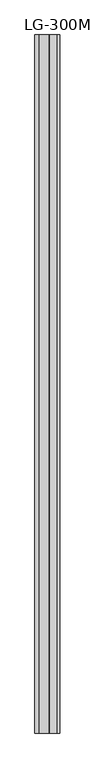
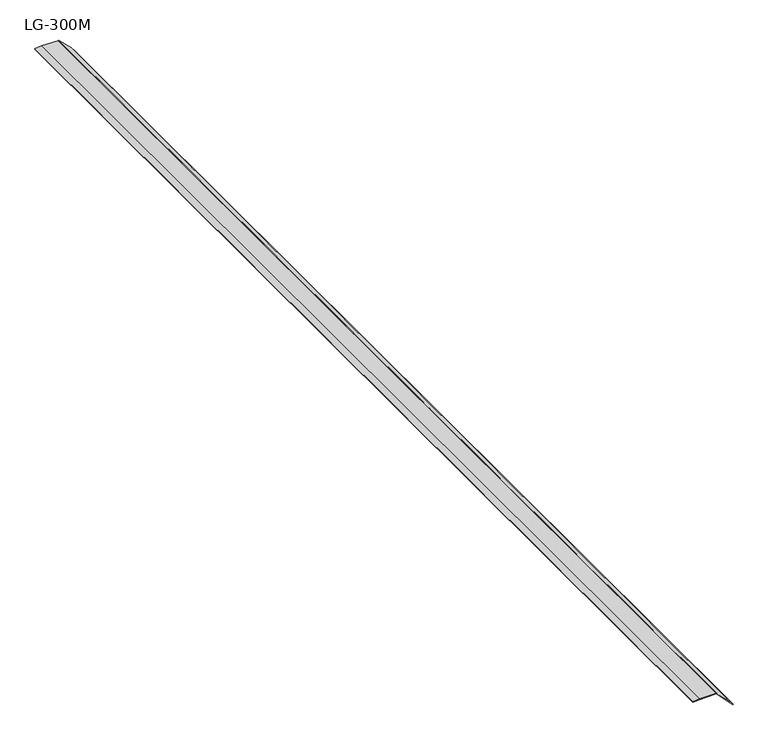
"""IFC4 building model written with IfcOpenShell, lengths in millimetres: proxy geometry, LG-300M."""

from ifc_helpers import new_model, si_unit, point, frame, frame_2d, origin, place, context, project, spatial, polyline, circle_curve, trimmed, segment, composite_curve, outline, extrude, source, transform, mapped, element, save


def lg_300m_7580ce3b(model_context):
    return source(origin(), model_context, "Body", "SweptSolid", [
        extrude(outline(composite_curve([segment(polyline([(0.0, -62.2237914), (0.8623031, -44.6673004), (1.2847753, 0.6559008), (-31.0774036, 32.4570885), (-44.1948241, 44.1739972), (-43.4255839, 44.9432374), (-29.4184821, 33.5475891), (1.861667, 2.26744)]), True, "CONTINUOUS"), segment(trimmed(circle_curve(frame_2d((-0.4738145, -0.0680415)), 3.3028696), [point((1.861667, 2.26744))], [point((2.8283542, 0.0))], False, "CARTESIAN"), True, "CONTINUOUS"), segment(polyline([(2.8283542, 0.0), (2.8283542, -43.736013), (0.9657795, -62.2237914), (0.0, -62.2237914)]), True, "CONTINUOUS")], self_intersect=False)), frame((0.0, -1141.4125, 0.0), z_axis=(0.0, 1.0, 0.0), x_axis=(0.0, 0.0, 1.0)), (0.0, 0.0, 1.0), 3021.0125),
    ])


if __name__ == "__main__":
    model = new_model("IFC4")
    model_context = context("Model", 3, world=origin())
    ifc_project = project(units=[si_unit("LENGTHUNIT", "METRE", prefix="MILLI")], contexts=[model_context])
    site = spatial("IfcSite", under=ifc_project)
    building = spatial("IfcBuilding", under=site)
    placement = place(None, origin())
    lg_300m_shape = lg_300m_7580ce3b(model_context)
    element("IfcBuildingElementProxy", 1, Name="LG-300M", ObjectType="LG-300M", at=placement, inside=building, context=model_context, shape_type="MappedRepresentation", body=[
        mapped(lg_300m_shape, transform((0.0, 0.0, 0.0), x_axis=(1.0, 0.0, 0.0), y_axis=(0.0, 1.0, 0.0), z_axis=(0.0, 0.0, 1.0))),
    ])
    save(model, "model.ifc")
